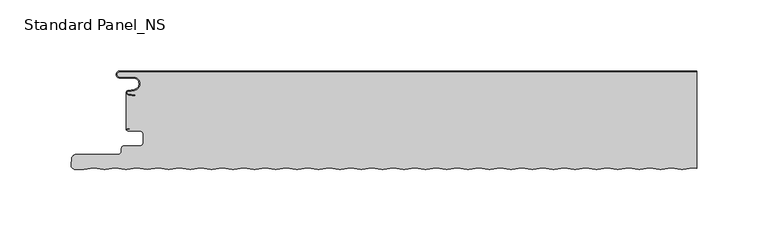
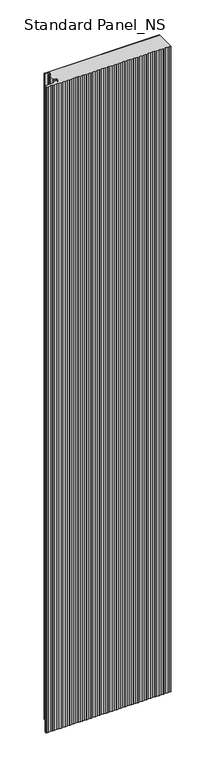
"""IFC4 building model written with IfcOpenShell, lengths in millimetres: proxy geometry, Standard Panel_NS."""

from ifc_helpers import new_model, si_unit, point, frame, frame_2d, origin, origin_with_axes, place, context, project, spatial, polyline, circle_curve, trimmed, segment, composite_curve, outline, extrude, source, transform, mapped, element, save
from ifc_brep_helpers import plane_surface, cylinder_surface, revolved_surface, advanced_brep


def standard_panel_ns_2b942dc9(model_context):
    return source(origin(), model_context, "Body", "SolidModel", [
        advanced_brep(
        [(200.9757266, -68.2307297, 2400.0), (203.9042607, -68.621201, 2400.0), (203.9042607, -0.8, 2400.0), (-201.4521486, -0.8, 2400.0), (-201.4521486, -4.2, 2400.0), (-191.9521486, -4.2, 2400.0), (-191.1186374, -13.7270772, 2400.0), (-195.4434036, -14.4896502, 2400.0), (-195.4169535, -16.0695512, 2400.0), (-190.4928263, -16.7687564, 2400.0), (-190.6052947, -17.5608112, 2400.0), (-195.529422, -16.8616061, 2400.0), (-196.9042607, -15.3042944, 2400.0), (-196.9042057, -41.327315, 2400.0), (-195.7650669, -40.5050506, 2400.0), (-194.3950677, -40.5050506, 2400.0), (-194.3950677, -41.3050506, 2400.0), (-195.7650669, -41.3050506, 2400.0), (-195.7650669, -42.1054413, 2400.0), (-188.0058392, -42.1054413, 2400.0), (-184.8560353, -45.2552452, 2400.0), (-184.8560353, -49.6552467, 2400.0), (-188.0058392, -52.8050506, 2400.0), (-198.67533, -52.8050506, 2400.0), (-200.2755261, -54.4052467, 2400.0), (-200.2755261, -56.4052467, 2400.0), (-202.67533, -58.8050506, 2400.0), (-232.3045986, -58.8050506, 2400.0), (-235.1937635, -61.4524611, 2400.0), (-235.6090836, -66.199151, 2400.0), (-232.8591806, -69.2001678, 2400.0), (-226.8685673, -69.2001678, 2400.0), (-219.5977818, -68.2307297, 2400.0), (-212.564124, -69.1685508, 2400.0), (-211.6109571, -69.1685508, 2400.0), (-204.5772994, -68.2307297, 2400.0), (-197.5436416, -69.1685508, 2400.0), (-196.5904747, -69.1685508, 2400.0), (-189.5568169, -68.2307297, 2400.0), (-182.0465757, -69.2320952, 2400.0), (-174.5363345, -68.2307297, 2400.0), (-167.5026767, -69.1685508, 2400.0), (-166.5495098, -69.1685508, 2400.0), (-159.515852, -68.2307297, 2400.0), (-152.4821943, -69.1685508, 2400.0), (-151.5290274, -69.1685508, 2400.0), (-144.4953696, -68.2307297, 2400.0), (-137.4617118, -69.1685508, 2400.0), (-136.5085449, -69.1685508, 2400.0), (-129.4748871, -68.2307297, 2400.0), (-122.4412294, -69.1685508, 2400.0), (-121.4880625, -69.1685508, 2400.0), (-114.4544047, -68.2307297, 2400.0), (-107.4207469, -69.1685508, 2400.0), (-106.46758, -69.1685508, 2400.0), (-99.4339222, -68.2307297, 2400.0), (-92.4002645, -69.1685508, 2400.0), (-91.4470976, -69.1685508, 2400.0), (-84.4134398, -68.2307297, 2400.0), (-77.379782, -69.1685508, 2400.0), (-76.4266151, -69.1685508, 2400.0), (-69.3929573, -68.2307297, 2400.0), (-62.3592996, -69.1685508, 2400.0), (-61.4061327, -69.1685508, 2400.0), (-54.3724749, -68.2307297, 2400.0), (-47.3388172, -69.1685508, 2400.0), (-46.3856502, -69.1685508, 2400.0), (-39.3519925, -68.2307297, 2400.0), (-32.3183347, -69.1685508, 2400.0), (-31.3651678, -69.1685508, 2400.0), (-24.33151, -68.2307297, 2400.0), (-17.2978523, -69.1685508, 2400.0), (-16.3446854, -69.1685508, 2400.0), (-9.3110276, -68.2307297, 2400.0), (-2.2773698, -69.1685508, 2400.0), (-1.3242029, -69.1685508, 2400.0), (5.7094549, -68.2307297, 2400.0), (12.7431126, -69.1685508, 2400.0), (13.6962795, -69.1685508, 2400.0), (20.7299373, -68.2307297, 2400.0), (27.7635951, -69.1685508, 2400.0), (28.716762, -69.1685508, 2400.0), (35.7504198, -68.2307297, 2400.0), (42.7840775, -69.1685508, 2400.0), (43.7372444, -69.1685508, 2400.0), (50.7709022, -68.2307297, 2400.0), (57.80456, -69.1685508, 2400.0), (58.7577269, -69.1685508, 2400.0), (65.7913846, -68.2307297, 2400.0), (72.8250424, -69.1685508, 2400.0), (73.7782093, -69.1685508, 2400.0), (80.8118671, -68.2307297, 2400.0), (87.8455248, -69.1685508, 2400.0), (88.7986918, -69.1685508, 2400.0), (95.8323495, -68.2307297, 2400.0), (102.8660073, -69.1685508, 2400.0), (103.8191742, -69.1685508, 2400.0), (110.852832, -68.2307297, 2400.0), (117.8864897, -69.1685508, 2400.0), (118.8396566, -69.1685508, 2400.0), (125.8733144, -68.2307297, 2400.0), (132.9069722, -69.1685508, 2400.0), (133.8601391, -69.1685508, 2400.0), (140.8937969, -68.2307297, 2400.0), (147.9274546, -69.1685508, 2400.0), (148.8806215, -69.1685508, 2400.0), (155.9142793, -68.2307297, 2400.0), (162.9479371, -69.1685508, 2400.0), (163.901104, -69.1685508, 2400.0), (170.9347618, -68.2307297, 2400.0), (177.9684195, -69.1685508, 2400.0), (178.9215864, -69.1685508, 2400.0), (185.9552442, -68.2307297, 2400.0), (192.9889019, -69.1685508, 2400.0), (193.9420689, -69.1685508, 2400.0), (-196.9042057, -41.327315, 0.0), (-196.9042607, -15.3042944, 0.0), (-195.529422, -16.8616061, 0.0), (-190.6052947, -17.5608112, 0.0), (-190.4928263, -16.7687564, 0.0), (-195.4169535, -16.0695512, 0.0), (-195.4434036, -14.4896502, 0.0), (-191.1186374, -13.7270772, 0.0), (-191.9521486, -4.2, 0.0), (-201.4521486, -4.2, 0.0), (-201.4521486, -0.8, 0.0), (203.9042607, -0.8, 0.0), (203.9042607, -68.621201, 0.0), (200.9757266, -68.2307297, 0.0), (193.9420689, -69.1685508, 0.0), (192.9889019, -69.1685508, 0.0), (185.9552442, -68.2307297, 0.0), (178.9215864, -69.1685508, 0.0), (177.9684195, -69.1685508, 0.0), (170.9347618, -68.2307297, 0.0), (163.901104, -69.1685508, 0.0), (162.9479371, -69.1685508, 0.0), (155.9142793, -68.2307297, 0.0), (148.8806215, -69.1685508, 0.0), (147.9274546, -69.1685508, 0.0), (140.8937969, -68.2307297, 0.0), (133.8601391, -69.1685508, 0.0), (132.9069722, -69.1685508, 0.0), (125.8733144, -68.2307297, 0.0), (118.8396566, -69.1685508, 0.0), (117.8864897, -69.1685508, 0.0), (110.852832, -68.2307297, 0.0), (103.8191742, -69.1685508, 0.0), (102.8660073, -69.1685508, 0.0), (95.8323495, -68.2307297, 0.0), (88.7986918, -69.1685508, 0.0), (87.8455248, -69.1685508, 0.0), (80.8118671, -68.2307297, 0.0), (73.7782093, -69.1685508, 0.0), (72.8250424, -69.1685508, 0.0), (65.7913846, -68.2307297, 0.0), (58.7577269, -69.1685508, 0.0), (57.80456, -69.1685508, 0.0), (50.7709022, -68.2307297, 0.0), (43.7372444, -69.1685508, 0.0), (42.7840775, -69.1685508, 0.0), (35.7504198, -68.2307297, 0.0), (28.716762, -69.1685508, 0.0), (27.7635951, -69.1685508, 0.0), (20.7299373, -68.2307297, 0.0), (13.6962795, -69.1685508, 0.0), (12.7431126, -69.1685508, 0.0), (5.7094549, -68.2307297, 0.0), (-1.3242029, -69.1685508, 0.0), (-2.2773698, -69.1685508, 0.0), (-9.3110276, -68.2307297, 0.0), (-16.3446854, -69.1685508, 0.0), (-17.2978523, -69.1685508, 0.0), (-24.33151, -68.2307297, 0.0), (-31.3651678, -69.1685508, 0.0), (-32.3183347, -69.1685508, 0.0), (-39.3519925, -68.2307297, 0.0), (-46.3856502, -69.1685508, 0.0), (-47.3388172, -69.1685508, 0.0), (-54.3724749, -68.2307297, 0.0), (-61.4061327, -69.1685508, 0.0), (-62.3592996, -69.1685508, 0.0), (-69.3929573, -68.2307297, 0.0), (-76.4266151, -69.1685508, 0.0), (-77.379782, -69.1685508, 0.0), (-84.4134398, -68.2307297, 0.0), (-91.4470976, -69.1685508, 0.0), (-92.4002645, -69.1685508, 0.0), (-99.4339222, -68.2307297, 0.0), (-106.46758, -69.1685508, 0.0), (-107.4207469, -69.1685508, 0.0), (-114.4544047, -68.2307297, 0.0), (-121.4880625, -69.1685508, 0.0), (-122.4412294, -69.1685508, 0.0), (-129.4748871, -68.2307297, 0.0), (-136.5085449, -69.1685508, 0.0), (-137.4617118, -69.1685508, 0.0), (-144.4953696, -68.2307297, 0.0), (-151.5290274, -69.1685508, 0.0), (-152.4821943, -69.1685508, 0.0), (-159.515852, -68.2307297, 0.0), (-166.5495098, -69.1685508, 0.0), (-167.5026767, -69.1685508, 0.0), (-174.5363345, -68.2307297, 0.0), (-182.0465757, -69.2320952, 0.0), (-189.5568169, -68.2307297, 0.0), (-196.5904747, -69.1685508, 0.0), (-197.5436416, -69.1685508, 0.0), (-204.5772994, -68.2307297, 0.0), (-211.6109571, -69.1685508, 0.0), (-212.564124, -69.1685508, 0.0), (-219.5977818, -68.2307297, 0.0), (-226.8685673, -69.2001678, 0.0), (-232.8591806, -69.2001678, 0.0), (-235.6090836, -66.199151, 0.0), (-235.1937635, -61.4524611, 0.0), (-232.3045986, -58.8050506, 0.0), (-202.67533, -58.8050506, 0.0), (-200.2755261, -56.4052467, 0.0), (-200.2755261, -54.4052467, 0.0), (-198.67533, -52.8050506, 0.0), (-188.0058392, -52.8050506, 0.0), (-184.8560353, -49.6552467, 0.0), (-184.8560353, -45.2552452, 0.0), (-188.0058392, -42.1054412, 0.0), (-195.7650669, -42.1054413, 0.0), (-195.7650669, -41.3050506, 0.0), (-194.3950677, -41.3050506, 0.0), (-194.3950677, -40.5050506, 0.0), (-195.7650669, -40.5050506, 0.0)],
        [
            (0, 1),
            (1, 2),
            (2, 3),
            (3, 4, circle_curve(frame((-201.4521486, -2.5, 2400.0), z_axis=(0.0, 0.0, 1.0), x_axis=(2.9071553329994335e-12, 1.0, 0.0)), 1.7)),
            (4, 5),
            (5, 6, circle_curve(frame((-191.9521486, -9.0, 2400.0), z_axis=(0.0, 0.0, -1.0), x_axis=(1.863723325530669e-12, 1.0, 0.0)), 4.8)),
            (6, 7),
            (7, 8, circle_curve(frame((-195.3044851, -15.2774964, 2400.0), z_axis=(0.0, 0.0, 1.0), x_axis=(-0.17364817766971952, 0.9848077530117163, 0.0)), 0.8)),
            (8, 9),
            (9, 10),
            (10, 11),
            (11, 12, circle_curve(frame((-195.3044851, -15.2774964, 2400.0), z_axis=(0.0, 0.0, -1.0), x_axis=(-0.17364817766971952, 0.9848077530117163, 0.0)), 1.6)),
            (12, 13),
            (13, 14, circle_curve(frame((-195.7650669, -41.7052459, 2400.0), z_axis=(0.0, 0.0, -1.0), x_axis=(0.0, 1.0, 0.0)), 1.2001953)),
            (14, 15),
            (15, 16),
            (16, 17),
            (17, 18, circle_curve(frame((-195.7650669, -41.7052459, 2400.0), z_axis=(0.0, 0.0, 1.0), x_axis=(0.0, 1.0, 0.0)), 0.4001953)),
            (18, 19),
            (19, 20, circle_curve(frame((-188.0058392, -45.2552452, 2400.0), z_axis=(0.0, 0.0, -1.0), x_axis=(-8.279395323838365e-05, 0.9999999965725807, 0.0)), 3.1498039)),
            (20, 21),
            (21, 22, circle_curve(frame((-188.0058392, -49.6552467, 2400.0), z_axis=(0.0, 0.0, -1.0), x_axis=(0.9999999965725804, -8.27939563282879e-05, 0.0)), 3.1498039)),
            (22, 23),
            (23, 24, circle_curve(frame((-198.67533, -54.4052467, 2400.0), z_axis=(0.0, 0.0, 1.0), x_axis=(-8.105569453527465e-05, 0.9999999967149873, 0.0)), 1.6001961)),
            (24, 25),
            (25, 26, circle_curve(frame((-202.67533, -56.4052467, 2400.0), z_axis=(0.0, 0.0, -1.0), x_axis=(0.9999999926057013, -0.00012160837719944603, 0.0)), 2.3998039)),
            (26, 27),
            (27, 28, circle_curve(frame((-232.3045986, -61.7052538, 2400.0), z_axis=(0.0, 0.0, 1.0), x_axis=(-5.9816804069483736e-05, 0.9999999982109751, 0.0)), 2.9002032)),
            (28, 29),
            (29, 30, circle_curve(frame((-232.8591806, -66.4397587, 2400.0), z_axis=(0.0, 0.0, 1.0), x_axis=(-0.9961854900933174, 0.08726092669423802, 0.0)), 2.7604092)),
            (30, 31),
            (31, 32),
            (32, 33),
            (33, 34, circle_curve(frame((-212.0875406, -65.5941749, 2400.0), z_axis=(0.0, 0.0, 1.0), x_axis=(-0.1321637200962343, -0.9912279006819392, 0.0)), 3.6060082)),
            (34, 35),
            (35, 36),
            (36, 37, circle_curve(frame((-197.0670581, -65.5941749, 2400.0), z_axis=(0.0, 0.0, 1.0), x_axis=(-0.13216372008395674, -0.9912279006835761, 0.0)), 3.6060082)),
            (37, 38),
            (38, 39),
            (39, 40),
            (40, 41),
            (41, 42, circle_curve(frame((-167.0260933, -65.5941749, 2400.0), z_axis=(0.0, 0.0, 1.0), x_axis=(-0.13216372069094426, -0.9912279006026445, 0.0)), 3.6060082)),
            (42, 43),
            (43, 44),
            (44, 45, circle_curve(frame((-152.0056108, -65.5941749, 2400.0), z_axis=(0.0, 0.0, 1.0), x_axis=(-0.13216372067834242, -0.9912279006043248, 0.0)), 3.6060082)),
            (45, 46),
            (46, 47),
            (47, 48, circle_curve(frame((-136.9851284, -65.5941749, 2400.0), z_axis=(0.0, 0.0, 1.0), x_axis=(-0.13216372069083632, -0.991227900602659, 0.0)), 3.6060082)),
            (48, 49),
            (49, 50),
            (50, 51, circle_curve(frame((-121.9646459, -65.5941749, 2400.0), z_axis=(0.0, 0.0, 1.0), x_axis=(-0.13216372067834242, -0.9912279006043248, 0.0)), 3.6060082)),
            (51, 52),
            (52, 53),
            (53, 54, circle_curve(frame((-106.9441635, -65.5941749, 2400.0), z_axis=(0.0, 0.0, 1.0), x_axis=(-0.13216372069083587, -0.991227900602659, 0.0)), 3.6060082)),
            (54, 55),
            (55, 56),
            (56, 57, circle_curve(frame((-91.923681, -65.5941749, 2400.0), z_axis=(0.0, 0.0, 1.0), x_axis=(-0.1321637206909443, -0.9912279006026445, 0.0)), 3.6060082)),
            (57, 58),
            (58, 59),
            (59, 60, circle_curve(frame((-76.9031986, -65.5941749, 2400.0), z_axis=(0.0, 0.0, 1.0), x_axis=(-0.13216372067834242, -0.9912279006043248, 0.0)), 3.6060082)),
            (60, 61),
            (61, 62),
            (62, 63, circle_curve(frame((-61.8827161, -65.5941749, 2400.0), z_axis=(0.0, 0.0, 1.0), x_axis=(-0.13216372067834242, -0.9912279006043248, 0.0)), 3.6060082)),
            (63, 64),
            (64, 65),
            (65, 66, circle_curve(frame((-46.8622337, -65.5941749, 2400.0), z_axis=(0.0, 0.0, 1.0), x_axis=(-0.13216372067834242, -0.9912279006043249, 0.0)), 3.6060082)),
            (66, 67),
            (67, 68),
            (68, 69, circle_curve(frame((-31.8417513, -65.5941749, 2400.0), z_axis=(0.0, 0.0, 1.0), x_axis=(-0.13216372069083587, -0.991227900602659, 0.0)), 3.6060082)),
            (69, 70),
            (70, 71),
            (71, 72, circle_curve(frame((-16.8212688, -65.5941749, 2400.0), z_axis=(0.0, 0.0, 1.0), x_axis=(-0.13216372067834242, -0.9912279006043249, 0.0)), 3.6060082)),
            (72, 73),
            (73, 74),
            (74, 75, circle_curve(frame((-1.8007864, -65.5941749, 2400.0), z_axis=(0.0, 0.0, 1.0), x_axis=(-0.13216372067834242, -0.9912279006043249, 0.0)), 3.6060082)),
            (75, 76),
            (76, 77),
            (77, 78, circle_curve(frame((13.2196961, -65.5941749, 2400.0), z_axis=(0.0, 0.0, 1.0), x_axis=(-0.13216372067834242, -0.9912279006043248, 0.0)), 3.6060082)),
            (78, 79),
            (79, 80),
            (80, 81, circle_curve(frame((28.2401785, -65.5941749, 2400.0), z_axis=(0.0, 0.0, 1.0), x_axis=(-0.13216372069083632, -0.991227900602659, 0.0)), 3.6060082)),
            (81, 82),
            (82, 83),
            (83, 84, circle_curve(frame((43.260661, -65.5941749, 2400.0), z_axis=(0.0, 0.0, 1.0), x_axis=(-0.1321637206909443, -0.9912279006026445, 0.0)), 3.6060082)),
            (84, 85),
            (85, 86),
            (86, 87, circle_curve(frame((58.2811434, -65.5941749, 2400.0), z_axis=(0.0, 0.0, 1.0), x_axis=(-0.13216372067834242, -0.9912279006043249, 0.0)), 3.6060082)),
            (87, 88),
            (88, 89),
            (89, 90, circle_curve(frame((73.3016259, -65.5941749, 2400.0), z_axis=(0.0, 0.0, 1.0), x_axis=(-0.1321637206909443, -0.9912279006026445, 0.0)), 3.6060082)),
            (90, 91),
            (91, 92),
            (92, 93, circle_curve(frame((88.3221083, -65.5941749, 2400.0), z_axis=(0.0, 0.0, 1.0), x_axis=(-0.13216372067834242, -0.9912279006043248, 0.0)), 3.6060082)),
            (93, 94),
            (94, 95),
            (95, 96, circle_curve(frame((103.3425907, -65.5941749, 2400.0), z_axis=(0.0, 0.0, 1.0), x_axis=(-0.1321637206908359, -0.991227900602659, 0.0)), 3.6060082)),
            (96, 97),
            (97, 98),
            (98, 99, circle_curve(frame((118.3630732, -65.5941749, 2400.0), z_axis=(0.0, 0.0, 1.0), x_axis=(-0.13216372069094426, -0.9912279006026445, 0.0)), 3.6060082)),
            (99, 100),
            (100, 101),
            (101, 102, circle_curve(frame((133.3835556, -65.5941749, 2400.0), z_axis=(0.0, 0.0, 1.0), x_axis=(-0.13216372067834242, -0.9912279006043248, 0.0)), 3.6060082)),
            (102, 103),
            (103, 104),
            (104, 105, circle_curve(frame((148.4040381, -65.5941749, 2400.0), z_axis=(0.0, 0.0, 1.0), x_axis=(-0.1321637206909443, -0.9912279006026445, 0.0)), 3.6060082)),
            (105, 106),
            (106, 107),
            (107, 108, circle_curve(frame((163.4245205, -65.5941749, 2400.0), z_axis=(0.0, 0.0, 1.0), x_axis=(-0.1321637206908359, -0.991227900602659, 0.0)), 3.6060082)),
            (108, 109),
            (109, 110),
            (110, 111, circle_curve(frame((178.445003, -65.5941749, 2400.0), z_axis=(0.0, 0.0, 1.0), x_axis=(-0.13216372067834242, -0.9912279006043248, 0.0)), 3.6060082)),
            (111, 112),
            (112, 113),
            (113, 114, circle_curve(frame((193.4654854, -65.5941749, 2400.0), z_axis=(0.0, 0.0, 1.0), x_axis=(-0.1321637206908363, -0.991227900602659, 0.0)), 3.6060082)),
            (114, 0),
            (115, 116),
            (116, 117, circle_curve(frame((-195.3044851, -15.2774964, 0.0), z_axis=(0.0, 0.0, 1.0), x_axis=(-0.17364817766971952, 0.9848077530117163, 0.0)), 1.6)),
            (117, 118),
            (118, 119),
            (119, 120),
            (120, 121, circle_curve(frame((-195.3044851, -15.2774964, 0.0), z_axis=(0.0, 0.0, -1.0), x_axis=(-0.17364817766971952, 0.9848077530117163, 0.0)), 0.8)),
            (121, 122),
            (122, 123, circle_curve(frame((-191.9521486, -9.0, 0.0), z_axis=(0.0, 0.0, 1.0), x_axis=(1.863723325530669e-12, 1.0, 0.0)), 4.8)),
            (123, 124),
            (124, 125, circle_curve(frame((-201.4521486, -2.5, 0.0), z_axis=(0.0, 0.0, -1.0), x_axis=(2.9071553329994335e-12, 1.0, 0.0)), 1.7)),
            (125, 126),
            (126, 127),
            (127, 128),
            (128, 129),
            (129, 130, circle_curve(frame((193.4654854, -65.5941749, 0.0), z_axis=(0.0, 0.0, -1.0), x_axis=(-0.1321637206908363, -0.991227900602659, 0.0)), 3.6060082)),
            (130, 131),
            (131, 132),
            (132, 133, circle_curve(frame((178.445003, -65.5941749, 0.0), z_axis=(0.0, 0.0, -1.0), x_axis=(-0.13216372067834242, -0.9912279006043248, 0.0)), 3.6060082)),
            (133, 134),
            (134, 135),
            (135, 136, circle_curve(frame((163.4245205, -65.5941749, 0.0), z_axis=(0.0, 0.0, -1.0), x_axis=(-0.1321637206908359, -0.991227900602659, 0.0)), 3.6060082)),
            (136, 137),
            (137, 138),
            (138, 139, circle_curve(frame((148.4040381, -65.5941749, 0.0), z_axis=(0.0, 0.0, -1.0), x_axis=(-0.1321637206909443, -0.9912279006026445, 0.0)), 3.6060082)),
            (139, 140),
            (140, 141),
            (141, 142, circle_curve(frame((133.3835556, -65.5941749, 0.0), z_axis=(0.0, 0.0, -1.0), x_axis=(-0.13216372067834242, -0.9912279006043248, 0.0)), 3.6060082)),
            (142, 143),
            (143, 144),
            (144, 145, circle_curve(frame((118.3630732, -65.5941749, 0.0), z_axis=(0.0, 0.0, -1.0), x_axis=(-0.13216372069094426, -0.9912279006026445, 0.0)), 3.6060082)),
            (145, 146),
            (146, 147),
            (147, 148, circle_curve(frame((103.3425907, -65.5941749, 0.0), z_axis=(0.0, 0.0, -1.0), x_axis=(-0.1321637206908359, -0.991227900602659, 0.0)), 3.6060082)),
            (148, 149),
            (149, 150),
            (150, 151, circle_curve(frame((88.3221083, -65.5941749, 0.0), z_axis=(0.0, 0.0, -1.0), x_axis=(-0.13216372067834242, -0.9912279006043248, 0.0)), 3.6060082)),
            (151, 152),
            (152, 153),
            (153, 154, circle_curve(frame((73.3016259, -65.5941749, 0.0), z_axis=(0.0, 0.0, -1.0), x_axis=(-0.1321637206909443, -0.9912279006026445, 0.0)), 3.6060082)),
            (154, 155),
            (155, 156),
            (156, 157, circle_curve(frame((58.2811434, -65.5941749, 0.0), z_axis=(0.0, 0.0, -1.0), x_axis=(-0.13216372067834242, -0.9912279006043249, 0.0)), 3.6060082)),
            (157, 158),
            (158, 159),
            (159, 160, circle_curve(frame((43.260661, -65.5941749, 0.0), z_axis=(0.0, 0.0, -1.0), x_axis=(-0.1321637206909443, -0.9912279006026445, 0.0)), 3.6060082)),
            (160, 161),
            (161, 162),
            (162, 163, circle_curve(frame((28.2401785, -65.5941749, 0.0), z_axis=(0.0, 0.0, -1.0), x_axis=(-0.13216372069083632, -0.991227900602659, 0.0)), 3.6060082)),
            (163, 164),
            (164, 165),
            (165, 166, circle_curve(frame((13.2196961, -65.5941749, 0.0), z_axis=(0.0, 0.0, -1.0), x_axis=(-0.13216372067834242, -0.9912279006043248, 0.0)), 3.6060082)),
            (166, 167),
            (167, 168),
            (168, 169, circle_curve(frame((-1.8007864, -65.5941749, 0.0), z_axis=(0.0, 0.0, -1.0), x_axis=(-0.13216372067834242, -0.9912279006043249, 0.0)), 3.6060082)),
            (169, 170),
            (170, 171),
            (171, 172, circle_curve(frame((-16.8212688, -65.5941749, 0.0), z_axis=(0.0, 0.0, -1.0), x_axis=(-0.13216372067834242, -0.9912279006043249, 0.0)), 3.6060082)),
            (172, 173),
            (173, 174),
            (174, 175, circle_curve(frame((-31.8417513, -65.5941749, 0.0), z_axis=(0.0, 0.0, -1.0), x_axis=(-0.13216372069083587, -0.991227900602659, 0.0)), 3.6060082)),
            (175, 176),
            (176, 177),
            (177, 178, circle_curve(frame((-46.8622337, -65.5941749, 0.0), z_axis=(0.0, 0.0, -1.0), x_axis=(-0.13216372067834242, -0.9912279006043249, 0.0)), 3.6060082)),
            (178, 179),
            (179, 180),
            (180, 181, circle_curve(frame((-61.8827161, -65.5941749, 0.0), z_axis=(0.0, 0.0, -1.0), x_axis=(-0.13216372067834242, -0.9912279006043248, 0.0)), 3.6060082)),
            (181, 182),
            (182, 183),
            (183, 184, circle_curve(frame((-76.9031986, -65.5941749, 0.0), z_axis=(0.0, 0.0, -1.0), x_axis=(-0.13216372067834242, -0.9912279006043248, 0.0)), 3.6060082)),
            (184, 185),
            (185, 186),
            (186, 187, circle_curve(frame((-91.923681, -65.5941749, 0.0), z_axis=(0.0, 0.0, -1.0), x_axis=(-0.1321637206909443, -0.9912279006026445, 0.0)), 3.6060082)),
            (187, 188),
            (188, 189),
            (189, 190, circle_curve(frame((-106.9441635, -65.5941749, 0.0), z_axis=(0.0, 0.0, -1.0), x_axis=(-0.13216372069083587, -0.991227900602659, 0.0)), 3.6060082)),
            (190, 191),
            (191, 192),
            (192, 193, circle_curve(frame((-121.9646459, -65.5941749, 0.0), z_axis=(0.0, 0.0, -1.0), x_axis=(-0.13216372067834242, -0.9912279006043248, 0.0)), 3.6060082)),
            (193, 194),
            (194, 195),
            (195, 196, circle_curve(frame((-136.9851284, -65.5941749, 0.0), z_axis=(0.0, 0.0, -1.0), x_axis=(-0.13216372069083632, -0.991227900602659, 0.0)), 3.6060082)),
            (196, 197),
            (197, 198),
            (198, 199, circle_curve(frame((-152.0056108, -65.5941749, 0.0), z_axis=(0.0, 0.0, -1.0), x_axis=(-0.13216372067834242, -0.9912279006043248, 0.0)), 3.6060082)),
            (199, 200),
            (200, 201),
            (201, 202, circle_curve(frame((-167.0260933, -65.5941749, 0.0), z_axis=(0.0, 0.0, -1.0), x_axis=(-0.13216372069094426, -0.9912279006026445, 0.0)), 3.6060082)),
            (202, 203),
            (203, 204),
            (204, 205),
            (205, 206),
            (206, 207, circle_curve(frame((-197.0670581, -65.5941749, 0.0), z_axis=(0.0, 0.0, -1.0), x_axis=(-0.13216372008395674, -0.9912279006835761, 0.0)), 3.6060082)),
            (207, 208),
            (208, 209),
            (209, 210, circle_curve(frame((-212.0875406, -65.5941749, 0.0), z_axis=(0.0, 0.0, -1.0), x_axis=(-0.1321637200962343, -0.9912279006819392, 0.0)), 3.6060082)),
            (210, 211),
            (211, 212),
            (212, 213),
            (213, 214, circle_curve(frame((-232.8591806, -66.4397587, 0.0), z_axis=(0.0, 0.0, -1.0), x_axis=(-0.9961854900933174, 0.08726092669423802, 0.0)), 2.7604092)),
            (214, 215),
            (215, 216, circle_curve(frame((-232.3045986, -61.7052538, 0.0), z_axis=(0.0, 0.0, -1.0), x_axis=(-5.9816804069483736e-05, 0.9999999982109751, 0.0)), 2.9002032)),
            (216, 217),
            (217, 218, circle_curve(frame((-202.67533, -56.4052467, 0.0), z_axis=(0.0, 0.0, 1.0), x_axis=(0.9999999926057013, -0.00012160837719944603, 0.0)), 2.3998039)),
            (218, 219),
            (219, 220, circle_curve(frame((-198.67533, -54.4052467, 0.0), z_axis=(0.0, 0.0, -1.0), x_axis=(-8.105569453527465e-05, 0.9999999967149873, 0.0)), 1.6001961)),
            (220, 221),
            (221, 222, circle_curve(frame((-188.0058392, -49.6552467, 0.0), z_axis=(0.0, 0.0, 1.0), x_axis=(0.9999999965725804, -8.27939563282879e-05, 0.0)), 3.1498039)),
            (222, 223),
            (223, 224, circle_curve(frame((-188.0058392, -45.2552452, 0.0), z_axis=(0.0, 0.0, 1.0), x_axis=(-8.279395323838365e-05, 0.9999999965725807, 0.0)), 3.1498039)),
            (224, 225),
            (225, 226, circle_curve(frame((-195.7650669, -41.7052459, 0.0), z_axis=(0.0, 0.0, -1.0), x_axis=(0.0, 1.0, 0.0)), 0.4001953)),
            (226, 227),
            (227, 228),
            (228, 229),
            (229, 115, circle_curve(frame((-195.7650669, -41.7052459, 0.0), z_axis=(0.0, 0.0, 1.0), x_axis=(0.0, 1.0, 0.0)), 1.2001953)),
            (31, 212),
            (211, 32),
            (28, 215),
            (214, 29),
            (25, 218),
            (217, 26),
            (24, 219),
            (21, 222),
            (221, 22),
            (20, 223),
            (19, 224),
            (17, 226),
            (225, 18),
            (16, 227),
            (15, 228),
            (11, 117),
            (116, 12),
            (10, 118),
            (9, 119),
            (8, 120),
            (7, 121),
            (6, 122),
            (5, 123),
            (4, 124),
            (3, 125),
            (2, 126),
            (1, 127),
            (110, 133),
            (132, 111),
            (131, 112),
            (130, 113),
            (129, 114),
            (0, 128),
            (109, 134),
            (115, 13),
            (108, 135),
            (107, 136),
            (106, 137),
            (105, 138),
            (104, 139),
            (103, 140),
            (102, 141),
            (101, 142),
            (100, 143),
            (99, 144),
            (98, 145),
            (97, 146),
            (96, 147),
            (95, 148),
            (94, 149),
            (93, 150),
            (92, 151),
            (91, 152),
            (90, 153),
            (89, 154),
            (88, 155),
            (87, 156),
            (86, 157),
            (85, 158),
            (84, 159),
            (83, 160),
            (82, 161),
            (81, 162),
            (80, 163),
            (79, 164),
            (78, 165),
            (77, 166),
            (76, 167),
            (75, 168),
            (74, 169),
            (73, 170),
            (72, 171),
            (71, 172),
            (70, 173),
            (69, 174),
            (68, 175),
            (67, 176),
            (66, 177),
            (65, 178),
            (64, 179),
            (63, 180),
            (62, 181),
            (61, 182),
            (60, 183),
            (59, 184),
            (58, 185),
            (57, 186),
            (56, 187),
            (55, 188),
            (54, 189),
            (53, 190),
            (52, 191),
            (51, 192),
            (50, 193),
            (49, 194),
            (48, 195),
            (47, 196),
            (46, 197),
            (45, 198),
            (44, 199),
            (43, 200),
            (42, 201),
            (41, 202),
            (40, 203),
            (39, 204),
            (38, 205),
            (37, 206),
            (36, 207),
            (35, 208),
            (34, 209),
            (33, 210),
            (30, 213),
            (27, 216),
            (23, 220),
            (14, 229),
        ],
        [
            plane_surface(frame((316.0957393, -69.2, 2400.0), z_axis=(0.0, 0.0, 1.0), x_axis=(0.0, -1.0, 0.0))),
            plane_surface(frame((316.0957393, -69.2, 0.0), z_axis=(0.0, 0.0, -1.0), x_axis=(0.0, -1.0, 0.0))),
            plane_surface(frame((-219.5977818, -68.2307297, 2400.0), z_axis=(0.13216372070690546, -0.9912279006005164, 0.0), x_axis=(0.0, 0.0, -1.0))),
            plane_surface(frame((-235.6090836, -66.199151, 2400.0), z_axis=(-0.9961939956053468, 0.08716377183127401, 0.0), x_axis=(0.0, 0.0, -1.0))),
            revolved_surface(polyline([(-200.27552611774487, -56.40553853625787, 0.0), (-200.27552611774487, -56.40553853625787, 2400.0)]), (-202.67533, -56.4052467, 2400.0), (0.0, 0.0, -1.0)),
            plane_surface(frame((-200.2755261, -56.4052467, 2400.0), z_axis=(-1.0, 0.0, 0.0), x_axis=(0.0, 0.0, -1.0))),
            revolved_surface(polyline([(-184.8560353107957, -49.65550748472654, 0.0), (-184.8560353107957, -49.65550748472654, 2400.0)]), (-188.0058392, -49.6552467, 2400.0), (0.0, 0.0, -1.0)),
            plane_surface(frame((-184.8560353, -49.6552467, 2400.0), z_axis=(-1.0, 0.0, 0.0), x_axis=(0.0, 0.0, -1.0))),
            revolved_surface(polyline([(-188.0060999847168, -42.1054413107957, 0.0), (-188.0060999847168, -42.1054413107957, 2400.0)]), (-188.0058392, -45.2552452, 2400.0), (0.0, 0.0, -1.0)),
            cylinder_surface(frame((-195.7650669, -41.7052459, 2400.0), z_axis=(0.0, 0.0, 1.0), x_axis=(0.0, 1.0, 0.0)), 0.4001953),
            plane_surface(frame((-195.7650669, -41.3050506, 2400.0), z_axis=(0.0, 1.0, 0.0), x_axis=(0.0, 0.0, -1.0))),
            plane_surface(frame((-194.3950677, -41.3050506, 2400.0), z_axis=(-1.0, 0.0, 0.0), x_axis=(0.0, 0.0, -1.0))),
            revolved_surface(polyline([(-195.58232218427153, -13.701803995181255, -9.094947017729282e-13), (-195.58232218427153, -13.701803995181255, 2400.0)]), (-195.3044851, -15.2774964, 2400.0), (0.0, 0.0, -1.0000000000000002)),
            plane_surface(frame((-195.529422, -16.8616061, 2400.0), z_axis=(0.14058552792120363, 0.9900685376978287, 0.0), x_axis=(0.0, 0.0, -1.0))),
            plane_surface(frame((-190.6052947, -17.5608112, 2400.0), z_axis=(-0.9900685376978338, 0.14058552792116694, 0.0), x_axis=(0.0, 0.0, -1.0))),
            plane_surface(frame((-190.4928263, -16.7687564, 2400.0), z_axis=(-0.1405855279212039, -0.9900685376978285, 0.0), x_axis=(0.0, 0.0, -1.0))),
            cylinder_surface(frame((-195.3044851, -15.2774964, 2400.0), z_axis=(0.0, 0.0, 1.0000000000000002), x_axis=(-0.17364817766971952, 0.9848077530117163, 0.0)), 0.8),
            plane_surface(frame((-195.4434036, -14.4896502, 2400.0), z_axis=(-0.1736481776670618, 0.9848077530121849, 0.0), x_axis=(0.0, 0.0, -1.0))),
            revolved_surface(polyline([(-191.95214859999103, -4.2, 0.0), (-191.95214859999103, -4.2, 2400.0)]), (-191.9521486, -9.0, 2400.0), (0.0, 0.0, -1.0)),
            plane_surface(frame((-191.9521486, -4.2, 2400.0), z_axis=(0.0, -1.0, 0.0), x_axis=(0.0, 0.0, -1.0))),
            cylinder_surface(frame((-201.4521486, -2.5, 2400.0), z_axis=(0.0, 0.0, 1.0), x_axis=(2.9071553329994335e-12, 1.0, 0.0)), 1.7),
            plane_surface(frame((-201.4521486, -0.8, 2400.0), z_axis=(0.0, 1.0, 0.0), x_axis=(0.0, 0.0, -1.0))),
            plane_surface(frame((203.9042607, -72.0, 2400.0), z_axis=(1.0, 0.0, 0.0), x_axis=(0.0, 0.0, -1.0))),
            cylinder_surface(frame((178.445003, -65.5941749, 2400.0), z_axis=(0.0, 0.0, 1.0), x_axis=(-0.13216372067834242, -0.9912279006043248, 0.0)), 3.6060082),
            plane_surface(frame((185.9552442, -68.2307297, 2400.0), z_axis=(0.13216372006695326, -0.9912279006858433, 0.0), x_axis=(0.0, 0.0, -1.0))),
            plane_surface(frame((192.9889019, -69.1685508, 2400.0), z_axis=(-0.13216372070690166, -0.9912279006005169, 0.0), x_axis=(0.0, 0.0, -1.0))),
            cylinder_surface(frame((193.4654854, -65.5941749, 2400.0), z_axis=(0.0, 0.0, 1.0000000000000002), x_axis=(-0.1321637206908363, -0.991227900602659, 0.0)), 3.6060082),
            plane_surface(frame((208.0093844, -69.1685508, 2400.0), z_axis=(-0.1321637207089453, -0.9912279006002443, 0.0), x_axis=(0.0, 0.0, -1.0))),
            plane_surface(frame((200.9757266, -68.2307297, 2400.0), z_axis=(0.1321637200687261, -0.991227900685607, 0.0), x_axis=(0.0, 0.0, -1.0))),
            plane_surface(frame((177.9684195, -69.1685508, 2400.0), z_axis=(-0.13216372070690136, -0.9912279006005169, 0.0), x_axis=(0.0, 0.0, -1.0))),
            plane_surface(frame((-196.9042057, -41.327315, 2400.0), z_axis=(-1.0, 0.0, 0.0), x_axis=(0.0, 0.0, -1.0))),
            plane_surface(frame((170.9347618, -68.2307297, 2400.0), z_axis=(0.13216372006613503, -0.9912279006859525, 0.0), x_axis=(0.0, 0.0, -1.0))),
            cylinder_surface(frame((163.4245205, -65.5941749, 2400.0), z_axis=(0.0, 0.0, 1.0), x_axis=(-0.1321637206908359, -0.991227900602659, 0.0)), 3.6060082),
            plane_surface(frame((162.9479371, -69.1685508, 2400.0), z_axis=(-0.1321637207063546, -0.9912279006005899, 0.0), x_axis=(0.0, 0.0, -1.0))),
            plane_surface(frame((155.9142793, -68.2307297, 2400.0), z_axis=(0.13216372006695185, -0.9912279006858435, 0.0), x_axis=(0.0, 0.0, -1.0))),
            cylinder_surface(frame((148.4040381, -65.5941749, 2400.0), z_axis=(0.0, 0.0, 1.0000000000000002), x_axis=(-0.1321637206909443, -0.9912279006026445, 0.0)), 3.6060082),
            plane_surface(frame((147.9274546, -69.1685508, 2400.0), z_axis=(-0.1321637207063565, -0.9912279006005896, 0.0), x_axis=(0.0, 0.0, -1.0))),
            plane_surface(frame((140.8937969, -68.2307297, 2400.0), z_axis=(0.13216372006749733, -0.9912279006857708, 0.0), x_axis=(0.0, 0.0, -1.0))),
            cylinder_surface(frame((133.3835556, -65.5941749, 2400.0), z_axis=(0.0, 0.0, 1.0), x_axis=(-0.13216372067834242, -0.9912279006043248, 0.0)), 3.6060082),
            plane_surface(frame((132.9069722, -69.1685508, 2400.0), z_axis=(-0.13216372070894564, -0.9912279006002443, 0.0), x_axis=(0.0, 0.0, -1.0))),
            plane_surface(frame((125.8733144, -68.2307297, 2400.0), z_axis=(0.13216372006845428, -0.9912279006856431, 0.0), x_axis=(0.0, 0.0, -1.0))),
            cylinder_surface(frame((118.3630732, -65.5941749, 2400.0), z_axis=(0.0, 0.0, 1.0000000000000002), x_axis=(-0.13216372069094426, -0.9912279006026445, 0.0)), 3.6060082),
            plane_surface(frame((117.8864897, -69.1685508, 2400.0), z_axis=(-0.1321637207063565, -0.9912279006005896, 0.0), x_axis=(0.0, 0.0, -1.0))),
            plane_surface(frame((110.852832, -68.2307297, 2400.0), z_axis=(0.13216372006668003, -0.9912279006858797, 0.0), x_axis=(0.0, 0.0, -1.0))),
            cylinder_surface(frame((103.3425907, -65.5941749, 2400.0), z_axis=(0.0, 0.0, 1.0), x_axis=(-0.1321637206908359, -0.991227900602659, 0.0)), 3.6060082),
            plane_surface(frame((102.8660073, -69.1685508, 2400.0), z_axis=(-0.1321637207063546, -0.9912279006005899, 0.0), x_axis=(0.0, 0.0, -1.0))),
            plane_surface(frame((95.8323495, -68.2307297, 2400.0), z_axis=(0.132163720066952, -0.9912279006858435, 0.0), x_axis=(0.0, 0.0, -1.0))),
            cylinder_surface(frame((88.3221083, -65.5941749, 2400.0), z_axis=(0.0, 0.0, 1.0), x_axis=(-0.13216372067834242, -0.9912279006043248, 0.0)), 3.6060082),
            plane_surface(frame((87.8455248, -69.1685508, 2400.0), z_axis=(-0.1321637207068996, -0.9912279006005172, 0.0), x_axis=(0.0, 0.0, -1.0))),
            plane_surface(frame((80.8118671, -68.2307297, 2400.0), z_axis=(0.13216372006640953, -0.9912279006859158, 0.0), x_axis=(0.0, 0.0, -1.0))),
            cylinder_surface(frame((73.3016259, -65.5941749, 2400.0), z_axis=(0.0, 0.0, 1.0000000000000002), x_axis=(-0.1321637206909443, -0.9912279006026445, 0.0)), 3.6060082),
            plane_surface(frame((72.8250424, -69.1685508, 2400.0), z_axis=(-0.13216372070744717, -0.9912279006004442, 0.0), x_axis=(0.0, 0.0, -1.0))),
            plane_surface(frame((65.7913846, -68.2307297, 2400.0), z_axis=(0.1321637200664073, -0.9912279006859162, 0.0), x_axis=(0.0, 0.0, -1.0))),
            cylinder_surface(frame((58.2811434, -65.5941749, 2400.0), z_axis=(0.0, 0.0, 1.0000000000000002), x_axis=(-0.13216372067834242, -0.9912279006043249, 0.0)), 3.6060082),
            plane_surface(frame((57.80456, -69.1685508, 2400.0), z_axis=(-0.1321637207082644, -0.9912279006003352, 0.0), x_axis=(0.0, 0.0, -1.0))),
            plane_surface(frame((50.7709022, -68.2307297, 2400.0), z_axis=(0.13216372006899724, -0.9912279006855708, 0.0), x_axis=(0.0, 0.0, -1.0))),
            cylinder_surface(frame((43.260661, -65.5941749, 2400.0), z_axis=(0.0, 0.0, 1.0000000000000002), x_axis=(-0.1321637206909443, -0.9912279006026445, 0.0)), 3.6060082),
            plane_surface(frame((42.7840775, -69.1685508, 2400.0), z_axis=(-0.1321637207069012, -0.9912279006005169, 0.0), x_axis=(0.0, 0.0, -1.0))),
            plane_surface(frame((35.7504198, -68.2307297, 2400.0), z_axis=(0.13216372006695298, -0.9912279006858434, 0.0), x_axis=(0.0, 0.0, -1.0))),
            cylinder_surface(frame((28.2401785, -65.5941749, 2400.0), z_axis=(0.0, 0.0, 1.0000000000000002), x_axis=(-0.13216372069083632, -0.991227900602659, 0.0)), 3.6060082),
            plane_surface(frame((27.7635951, -69.1685508, 2400.0), z_axis=(-0.1321637207069012, -0.9912279006005169, 0.0), x_axis=(0.0, 0.0, -1.0))),
            plane_surface(frame((20.7299373, -68.2307297, 2400.0), z_axis=(0.13216372006695265, -0.9912279006858434, 0.0), x_axis=(0.0, 0.0, -1.0))),
            cylinder_surface(frame((13.2196961, -65.5941749, 2400.0), z_axis=(0.0, 0.0, 1.0), x_axis=(-0.13216372067834242, -0.9912279006043248, 0.0)), 3.6060082),
            plane_surface(frame((12.7431126, -69.1685508, 2400.0), z_axis=(-0.132163720706356, -0.9912279006005896, 0.0), x_axis=(0.0, 0.0, -1.0))),
            plane_surface(frame((5.7094549, -68.2307297, 2400.0), z_axis=(0.13216372006695326, -0.9912279006858433, 0.0), x_axis=(0.0, 0.0, -1.0))),
            cylinder_surface(frame((-1.8007864, -65.5941749, 2400.0), z_axis=(0.0, 0.0, 1.0000000000000002), x_axis=(-0.13216372067834242, -0.9912279006043249, 0.0)), 3.6060082),
            plane_surface(frame((-2.2773698, -69.1685508, 2400.0), z_axis=(-0.13216372070840093, -0.991227900600317, 0.0), x_axis=(0.0, 0.0, -1.0))),
            plane_surface(frame((-9.3110276, -68.2307297, 2400.0), z_axis=(0.1321637200674967, -0.9912279006857709, 0.0), x_axis=(0.0, 0.0, -1.0))),
            cylinder_surface(frame((-16.8212688, -65.5941749, 2400.0), z_axis=(0.0, 0.0, 1.0000000000000002), x_axis=(-0.13216372067834242, -0.9912279006043249, 0.0)), 3.6060082),
            plane_surface(frame((-17.2978523, -69.1685508, 2400.0), z_axis=(-0.13216372070840093, -0.991227900600317, 0.0), x_axis=(0.0, 0.0, -1.0))),
            plane_surface(frame((-24.33151, -68.2307297, 2400.0), z_axis=(0.13216372006954255, -0.991227900685498, 0.0), x_axis=(0.0, 0.0, -1.0))),
            cylinder_surface(frame((-31.8417513, -65.5941749, 2400.0), z_axis=(0.0, 0.0, 1.0), x_axis=(-0.13216372069083587, -0.991227900602659, 0.0)), 3.6060082),
            plane_surface(frame((-32.3183347, -69.1685508, 2400.0), z_axis=(-0.13216372070744586, -0.9912279006004443, 0.0), x_axis=(0.0, 0.0, -1.0))),
            plane_surface(frame((-39.3519925, -68.2307297, 2400.0), z_axis=(0.1321637200664073, -0.9912279006859162, 0.0), x_axis=(0.0, 0.0, -1.0))),
            cylinder_surface(frame((-46.8622337, -65.5941749, 2400.0), z_axis=(0.0, 0.0, 1.0000000000000002), x_axis=(-0.13216372067834242, -0.9912279006043249, 0.0)), 3.6060082),
            plane_surface(frame((-47.3388172, -69.1685508, 2400.0), z_axis=(-0.13216372070635665, -0.9912279006005896, 0.0), x_axis=(0.0, 0.0, -1.0))),
            plane_surface(frame((-54.3724749, -68.2307297, 2400.0), z_axis=(0.1321637200649066, -0.9912279006861162, 0.0), x_axis=(0.0, 0.0, -1.0))),
            cylinder_surface(frame((-61.8827161, -65.5941749, 2400.0), z_axis=(0.0, 0.0, 1.0), x_axis=(-0.13216372067834242, -0.9912279006043248, 0.0)), 3.6060082),
            plane_surface(frame((-62.3592996, -69.1685508, 2400.0), z_axis=(-0.13216372070690374, -0.9912279006005166, 0.0), x_axis=(0.0, 0.0, -1.0))),
            plane_surface(frame((-69.3929573, -68.2307297, 2400.0), z_axis=(0.13216372006695326, -0.9912279006858433, 0.0), x_axis=(0.0, 0.0, -1.0))),
            cylinder_surface(frame((-76.9031986, -65.5941749, 2400.0), z_axis=(0.0, 0.0, 1.0), x_axis=(-0.13216372067834242, -0.9912279006043248, 0.0)), 3.6060082),
            plane_surface(frame((-77.379782, -69.1685508, 2400.0), z_axis=(-0.13216372070839968, -0.9912279006003172, 0.0), x_axis=(0.0, 0.0, -1.0))),
            plane_surface(frame((-84.4134398, -68.2307297, 2400.0), z_axis=(0.1321637200689985, -0.9912279006855707, 0.0), x_axis=(0.0, 0.0, -1.0))),
            cylinder_surface(frame((-91.923681, -65.5941749, 2400.0), z_axis=(0.0, 0.0, 1.0000000000000002), x_axis=(-0.1321637206909443, -0.9912279006026445, 0.0)), 3.6060082),
            plane_surface(frame((-92.4002645, -69.1685508, 2400.0), z_axis=(-0.13216372070894594, -0.9912279006002443, 0.0), x_axis=(0.0, 0.0, -1.0))),
            plane_surface(frame((-99.4339222, -68.2307297, 2400.0), z_axis=(0.13216372006899896, -0.9912279006855705, 0.0), x_axis=(0.0, 0.0, -1.0))),
            cylinder_surface(frame((-106.9441635, -65.5941749, 2400.0), z_axis=(0.0, 0.0, 1.0), x_axis=(-0.13216372069083587, -0.991227900602659, 0.0)), 3.6060082),
            plane_surface(frame((-107.4207469, -69.1685508, 2400.0), z_axis=(-0.13216372070635285, -0.9912279006005901, 0.0), x_axis=(0.0, 0.0, -1.0))),
            plane_surface(frame((-114.4544047, -68.2307297, 2400.0), z_axis=(0.1321637200669509, -0.9912279006858437, 0.0), x_axis=(0.0, 0.0, -1.0))),
            cylinder_surface(frame((-121.9646459, -65.5941749, 2400.0), z_axis=(0.0, 0.0, 1.0), x_axis=(-0.13216372067834242, -0.9912279006043248, 0.0)), 3.6060082),
            plane_surface(frame((-122.4412294, -69.1685508, 2400.0), z_axis=(-0.13216372070635302, -0.9912279006005901, 0.0), x_axis=(0.0, 0.0, -1.0))),
            plane_surface(frame((-129.4748871, -68.2307297, 2400.0), z_axis=(0.1321637200674959, -0.9912279006857709, 0.0), x_axis=(0.0, 0.0, -1.0))),
            cylinder_surface(frame((-136.9851284, -65.5941749, 2400.0), z_axis=(0.0, 0.0, 1.0000000000000002), x_axis=(-0.13216372069083632, -0.991227900602659, 0.0)), 3.6060082),
            plane_surface(frame((-137.4617118, -69.1685508, 2400.0), z_axis=(-0.1321637207068988, -0.9912279006005172, 0.0), x_axis=(0.0, 0.0, -1.0))),
            plane_surface(frame((-144.4953696, -68.2307297, 2400.0), z_axis=(0.13216372006640492, -0.9912279006859165, 0.0), x_axis=(0.0, 0.0, -1.0))),
            cylinder_surface(frame((-152.0056108, -65.5941749, 2400.0), z_axis=(0.0, 0.0, 1.0), x_axis=(-0.13216372067834242, -0.9912279006043248, 0.0)), 3.6060082),
            plane_surface(frame((-152.4821943, -69.1685508, 2400.0), z_axis=(-0.13216372070894564, -0.9912279006002443, 0.0), x_axis=(0.0, 0.0, -1.0))),
            plane_surface(frame((-159.515852, -68.2307297, 2400.0), z_axis=(0.1321637200684489, -0.9912279006856439, 0.0), x_axis=(0.0, 0.0, -1.0))),
            cylinder_surface(frame((-167.0260933, -65.5941749, 2400.0), z_axis=(0.0, 0.0, 1.0000000000000002), x_axis=(-0.13216372069094426, -0.9912279006026445, 0.0)), 3.6060082),
            plane_surface(frame((-167.5026767, -69.1685508, 2400.0), z_axis=(-0.13216372070689816, -0.9912279006005174, 0.0), x_axis=(0.0, 0.0, -1.0))),
            plane_surface(frame((-174.5363345, -68.2307297, 2400.0), z_axis=(0.13216372006695146, -0.9912279006858435, 0.0), x_axis=(0.0, 0.0, -1.0))),
            plane_surface(frame((-182.0465757, -69.2320952, 2400.0), z_axis=(-0.13216372006694388, -0.9912279006858447, 0.0), x_axis=(0.0, 0.0, -1.0))),
            plane_surface(frame((-189.5568169, -68.2307297, 2400.0), z_axis=(0.13216372070690524, -0.9912279006005164, 0.0), x_axis=(0.0, 0.0, -1.0))),
            cylinder_surface(frame((-197.0670581, -65.5941749, 2400.0), z_axis=(0.0, 0.0, 1.0), x_axis=(-0.13216372008395674, -0.9912279006835761, 0.0)), 3.6060082),
            plane_surface(frame((-197.5436416, -69.1685508, 2400.0), z_axis=(-0.1321637200684442, -0.9912279006856446, 0.0), x_axis=(0.0, 0.0, -1.0))),
            plane_surface(frame((-204.5772994, -68.2307297, 2400.0), z_axis=(0.1321637207094944, -0.9912279006001712, 0.0), x_axis=(0.0, 0.0, -1.0))),
            cylinder_surface(frame((-212.0875406, -65.5941749, 2400.0), z_axis=(0.0, 0.0, 1.0), x_axis=(-0.1321637200962343, -0.9912279006819392, 0.0)), 3.6060082),
            plane_surface(frame((-212.564124, -69.1685508, 2400.0), z_axis=(-0.13216372006694319, -0.9912279006858448, 0.0), x_axis=(0.0, 0.0, -1.0))),
            plane_surface(frame((-226.8685673, -69.2001678, 2400.0), z_axis=(0.0, -1.0, 0.0), x_axis=(0.0, 0.0, -1.0))),
            cylinder_surface(frame((-232.8591806, -66.4397587, 2400.0), z_axis=(0.0, 0.0, 1.0000000000000002), x_axis=(-0.9961854900933174, 0.08726092669423802, 0.0)), 2.7604092),
            cylinder_surface(frame((-232.3045986, -61.7052538, 2400.0), z_axis=(0.0, 0.0, 1.0000000000000002), x_axis=(-5.9816804069483736e-05, 0.9999999982109751, 0.0)), 2.9002032),
            plane_surface(frame((-232.3045986, -58.8050506, 2400.0), z_axis=(0.0, 1.0, 0.0), x_axis=(0.0, 0.0, -1.0))),
            cylinder_surface(frame((-198.67533, -54.4052467, 2400.0), z_axis=(0.0, 0.0, 1.0000000000000002), x_axis=(-8.105569453527465e-05, 0.9999999967149873, 0.0)), 1.6001961),
            plane_surface(frame((-198.67533, -52.8050506, 2400.0), z_axis=(0.0, 1.0, 0.0), x_axis=(0.0, 0.0, -1.0))),
            plane_surface(frame((-188.0058392, -42.1054413, 2400.0), z_axis=(0.0, -1.0, 0.0), x_axis=(0.0, 0.0, -1.0))),
            plane_surface(frame((-194.3950677, -40.5050506, 2400.0), z_axis=(0.0, -1.0, 0.0), x_axis=(0.0, 0.0, -1.0))),
            revolved_surface(polyline([(-195.7650669, -40.505050600000004, 0.0), (-195.7650669, -40.505050600000004, 2400.0)]), (-195.7650669, -41.7052459, 2400.0), (0.0, 0.0, -1.0)),
        ],
        [
            (0, [[1, 2, 3, 4, 5, 6, 7, 8, 9, 10, 11, 12, 13, 14, 15, 16, 17, 18, 19, 20, 21, 22, 23, 24, 25, 26, 27, 28, 29, 30, 31, 32, 33, 34, 35, 36, 37, 38, 39, 40, 41, 42, 43, 44, 45, 46, 47, 48, 49, 50, 51, 52, 53, 54, 55, 56, 57, 58, 59, 60, 61, 62, 63, 64, 65, 66, 67, 68, 69, 70, 71, 72, 73, 74, 75, 76, 77, 78, 79, 80, 81, 82, 83, 84, 85, 86, 87, 88, 89, 90, 91, 92, 93, 94, 95, 96, 97, 98, 99, 100, 101, 102, 103, 104, 105, 106, 107, 108, 109, 110, 111, 112, 113, 114, 115]]),
            (1, [[116, 117, 118, 119, 120, 121, 122, 123, 124, 125, 126, 127, 128, 129, 130, 131, 132, 133, 134, 135, 136, 137, 138, 139, 140, 141, 142, 143, 144, 145, 146, 147, 148, 149, 150, 151, 152, 153, 154, 155, 156, 157, 158, 159, 160, 161, 162, 163, 164, 165, 166, 167, 168, 169, 170, 171, 172, 173, 174, 175, 176, 177, 178, 179, 180, 181, 182, 183, 184, 185, 186, 187, 188, 189, 190, 191, 192, 193, 194, 195, 196, 197, 198, 199, 200, 201, 202, 203, 204, 205, 206, 207, 208, 209, 210, 211, 212, 213, 214, 215, 216, 217, 218, 219, 220, 221, 222, 223, 224, 225, 226, 227, 228, 229, 230]]),
            (2, [[231, -212, 232, -32]]),
            (3, [[233, -215, 234, -29]]),
            (4, [[235, -218, 236, -26]]),
            (5, [[237, -219, -235, -25]]),
            (6, [[238, -222, 239, -22]]),
            (7, [[240, -223, -238, -21]]),
            (8, [[241, -224, -240, -20]]),
            (9, [[242, -226, 243, -18]]),
            (10, [[244, -227, -242, -17]]),
            (11, [[245, -228, -244, -16]]),
            (12, [[246, -117, 247, -12]]),
            (13, [[248, -118, -246, -11]]),
            (14, [[249, -119, -248, -10]]),
            (15, [[250, -120, -249, -9]]),
            (16, [[251, -121, -250, -8]]),
            (17, [[252, -122, -251, -7]]),
            (18, [[253, -123, -252, -6]]),
            (19, [[254, -124, -253, -5]]),
            (20, [[255, -125, -254, -4]]),
            (21, [[-3, 256, -126, -255]]),
            (22, [[257, -127, -256, -2]]),
            (23, [[258, -133, 259, -111]]),
            (24, [[-259, -132, 260, -112]]),
            (25, [[-260, -131, 261, -113]]),
            (26, [[-261, -130, 262, -114]]),
            (27, [[-128, -257, -1, 263]]),
            (28, [[-262, -129, -263, -115]]),
            (29, [[264, -134, -258, -110]]),
            (30, [[-13, -247, -116, 265]]),
            (31, [[266, -135, -264, -109]]),
            (32, [[267, -136, -266, -108]]),
            (33, [[268, -137, -267, -107]]),
            (34, [[269, -138, -268, -106]]),
            (35, [[270, -139, -269, -105]]),
            (36, [[271, -140, -270, -104]]),
            (37, [[272, -141, -271, -103]]),
            (38, [[273, -142, -272, -102]]),
            (39, [[274, -143, -273, -101]]),
            (40, [[275, -144, -274, -100]]),
            (41, [[276, -145, -275, -99]]),
            (42, [[277, -146, -276, -98]]),
            (43, [[278, -147, -277, -97]]),
            (44, [[279, -148, -278, -96]]),
            (45, [[280, -149, -279, -95]]),
            (46, [[281, -150, -280, -94]]),
            (47, [[282, -151, -281, -93]]),
            (48, [[283, -152, -282, -92]]),
            (49, [[284, -153, -283, -91]]),
            (50, [[285, -154, -284, -90]]),
            (51, [[286, -155, -285, -89]]),
            (52, [[287, -156, -286, -88]]),
            (53, [[288, -157, -287, -87]]),
            (54, [[289, -158, -288, -86]]),
            (55, [[290, -159, -289, -85]]),
            (56, [[291, -160, -290, -84]]),
            (57, [[292, -161, -291, -83]]),
            (58, [[293, -162, -292, -82]]),
            (59, [[294, -163, -293, -81]]),
            (60, [[295, -164, -294, -80]]),
            (61, [[296, -165, -295, -79]]),
            (62, [[297, -166, -296, -78]]),
            (63, [[298, -167, -297, -77]]),
            (64, [[299, -168, -298, -76]]),
            (65, [[300, -169, -299, -75]]),
            (66, [[301, -170, -300, -74]]),
            (67, [[302, -171, -301, -73]]),
            (68, [[303, -172, -302, -72]]),
            (69, [[304, -173, -303, -71]]),
            (70, [[305, -174, -304, -70]]),
            (71, [[306, -175, -305, -69]]),
            (72, [[307, -176, -306, -68]]),
            (73, [[308, -177, -307, -67]]),
            (74, [[309, -178, -308, -66]]),
            (75, [[310, -179, -309, -65]]),
            (76, [[311, -180, -310, -64]]),
            (77, [[312, -181, -311, -63]]),
            (78, [[313, -182, -312, -62]]),
            (79, [[314, -183, -313, -61]]),
            (80, [[315, -184, -314, -60]]),
            (81, [[316, -185, -315, -59]]),
            (82, [[317, -186, -316, -58]]),
            (83, [[318, -187, -317, -57]]),
            (84, [[319, -188, -318, -56]]),
            (85, [[320, -189, -319, -55]]),
            (86, [[321, -190, -320, -54]]),
            (87, [[322, -191, -321, -53]]),
            (88, [[323, -192, -322, -52]]),
            (89, [[324, -193, -323, -51]]),
            (90, [[325, -194, -324, -50]]),
            (91, [[326, -195, -325, -49]]),
            (92, [[327, -196, -326, -48]]),
            (93, [[328, -197, -327, -47]]),
            (94, [[329, -198, -328, -46]]),
            (95, [[330, -199, -329, -45]]),
            (96, [[331, -200, -330, -44]]),
            (97, [[332, -201, -331, -43]]),
            (98, [[333, -202, -332, -42]]),
            (99, [[334, -203, -333, -41]]),
            (100, [[335, -204, -334, -40]]),
            (101, [[336, -205, -335, -39]]),
            (102, [[337, -206, -336, -38]]),
            (103, [[338, -207, -337, -37]]),
            (104, [[339, -208, -338, -36]]),
            (105, [[340, -209, -339, -35]]),
            (106, [[341, -210, -340, -34]]),
            (107, [[-232, -211, -341, -33]]),
            (108, [[342, -213, -231, -31]]),
            (109, [[-234, -214, -342, -30]]),
            (110, [[343, -216, -233, -28]]),
            (111, [[-236, -217, -343, -27]]),
            (112, [[344, -220, -237, -24]]),
            (113, [[-239, -221, -344, -23]]),
            (114, [[-243, -225, -241, -19]]),
            (115, [[345, -229, -245, -15]]),
            (116, [[-265, -230, -345, -14]]),
        ],
    ),
        extrude(outline(composite_curve([segment(polyline([(-201.4521486, 0.0), (203.9042607, 0.0), (203.9042607, -0.8), (-201.4521486, -0.8)]), True, "CONTINUOUS"), segment(trimmed(circle_curve(frame_2d((-201.4521486, -2.5)), 1.7), [point((-201.4521486, -0.8))], [point((-201.4521486, -4.2))], True, "CARTESIAN"), True, "CONTINUOUS"), segment(polyline([(-201.4521486, -4.2), (-191.9521486, -4.2)]), True, "CONTINUOUS"), segment(trimmed(circle_curve(frame_2d((-191.9521486, -9.0)), 4.8), [point((-191.9521486, -4.2))], [point((-191.1186374, -13.7270772))], False, "CARTESIAN"), True, "CONTINUOUS"), segment(polyline([(-191.1186374, -13.7270772), (-195.4434036, -14.4896502)]), True, "CONTINUOUS"), segment(trimmed(circle_curve(frame_2d((-195.3044851, -15.2774964)), 0.8), [point((-195.4434036, -14.4896502))], [point((-195.4169535, -16.0695512))], True, "CARTESIAN"), True, "CONTINUOUS"), segment(polyline([(-195.4169535, -16.0695512), (-190.4928263, -16.7687564), (-190.6052947, -17.5608112), (-195.529422, -16.8616061)]), True, "CONTINUOUS"), segment(trimmed(circle_curve(frame_2d((-195.3044851, -15.2774964)), 1.6), [point((-195.529422, -16.8616061))], [point((-195.5823222, -13.701804))], False, "CARTESIAN"), True, "CONTINUOUS"), segment(polyline([(-195.5823222, -13.701804), (-191.2575559, -12.939231)]), True, "CONTINUOUS"), segment(trimmed(circle_curve(frame_2d((-191.9521486, -9.0)), 4.0), [point((-191.2575559, -12.939231))], [point((-191.9521486, -5.0))], True, "CARTESIAN"), True, "CONTINUOUS"), segment(polyline([(-191.9521486, -5.0), (-201.4521486, -5.0)]), True, "CONTINUOUS"), segment(trimmed(circle_curve(frame_2d((-201.4521486, -2.5)), 2.5), [point((-201.4521486, -5.0))], [point((-201.4521486, 0.0))], False, "CARTESIAN"), True, "CONTINUOUS")], self_intersect=False)), origin_with_axes(), (0.0, 0.0, 1.0), 2400.0),
    ])


if __name__ == "__main__":
    model = new_model("IFC4")
    model_context = context("Model", 3, world=origin())
    ifc_project = project(units=[si_unit("LENGTHUNIT", "METRE", prefix="MILLI")], contexts=[model_context])
    site = spatial("IfcSite", under=ifc_project)
    building = spatial("IfcBuilding", under=site)
    placement = place(None, origin())
    standard_panel_ns_shape = standard_panel_ns_2b942dc9(model_context)
    element("IfcBuildingElementProxy", 1, Name="Standard Panel_NS", ObjectType="Standard Panel_NS", at=placement, inside=building, context=model_context, shape_type="MappedRepresentation", body=[
        mapped(standard_panel_ns_shape, transform((0.0, 0.0, 0.0), x_axis=(1.0, 0.0, 0.0), y_axis=(0.0, 1.0, 0.0), z_axis=(0.0, 0.0, 1.0))),
    ])
    save(model, "model.ifc")
